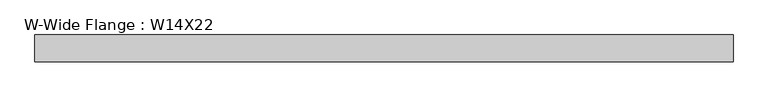
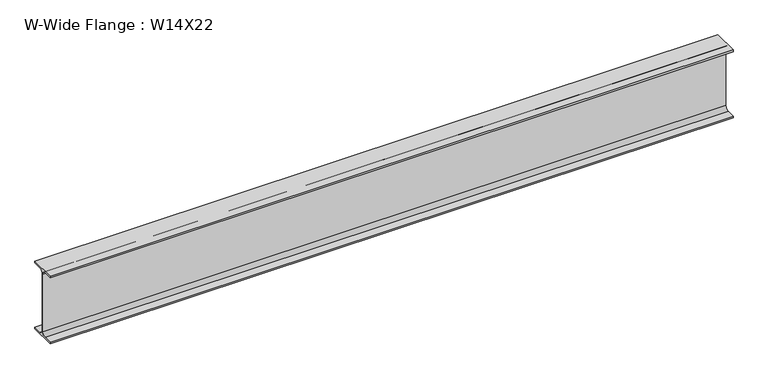
"""IFC4 building model written with IfcOpenShell, lengths in millimetres: beam geometry, W-Wide Flange : W14X22."""

from ifc_helpers import new_model, si_unit, point, frame, frame_2d, origin, place, context, project, spatial, polyline, circle_curve, trimmed, segment, composite_curve, outline, extrude, source, transform, mapped, element, save


def w_wide_flange_w14x22_d8509f81(model_context):
    return source(origin(), model_context, "Body", "SweptSolid", [
        extrude(outline(composite_curve([segment(polyline([(63.5, -165.4472656), (63.5, -173.9800781), (-63.5, -173.9800781), (-63.5, -165.4472656), (-21.3816406, -165.4472656)]), True, "CONTINUOUS"), segment(trimmed(circle_curve(frame_2d((-21.3816406, -146.9925781)), 18.4546875), [point((-21.3816406, -165.4472656))], [point((-2.9269531, -146.9925781))], True, "CARTESIAN"), True, "CONTINUOUS"), segment(polyline([(-2.9269531, -146.9925781), (-2.9269531, 146.9925781)]), True, "CONTINUOUS"), segment(trimmed(circle_curve(frame_2d((-21.3816406, 146.9925781)), 18.4546875), [point((-2.9269531, 146.9925781))], [point((-21.3816406, 165.4472656))], True, "CARTESIAN"), True, "CONTINUOUS"), segment(polyline([(-21.3816406, 165.4472656), (-63.5, 165.4472656), (-63.5, 173.9800781), (63.5, 173.9800781), (63.5, 165.4472656), (21.3816406, 165.4472656)]), True, "CONTINUOUS"), segment(trimmed(circle_curve(frame_2d((21.3816406, 146.9925781)), 18.4546875), [point((21.3816406, 165.4472656))], [point((2.9269531, 146.9925781))], True, "CARTESIAN"), True, "CONTINUOUS"), segment(polyline([(2.9269531, 146.9925781), (2.9269531, -146.9925781)]), True, "CONTINUOUS"), segment(trimmed(circle_curve(frame_2d((21.3816406, -146.9925781)), 18.4546875), [point((2.9269531, -146.9925781))], [point((21.3816406, -165.4472656))], True, "CARTESIAN"), True, "CONTINUOUS"), segment(polyline([(21.3816406, -165.4472656), (63.5, -165.4472656)]), True, "CONTINUOUS")], self_intersect=False)), frame((-1657.35, 0.0, 0.0), z_axis=(1.0, 0.0, 0.0), x_axis=(0.0, 1.0, 0.0)), (0.0, 0.0, 1.0), 3314.7),
    ])


if __name__ == "__main__":
    model = new_model("IFC4")
    model_context = context("Model", 3, world=origin())
    ifc_project = project(units=[si_unit("LENGTHUNIT", "METRE", prefix="MILLI")], contexts=[model_context])
    site = spatial("IfcSite", under=ifc_project)
    building = spatial("IfcBuilding", under=site)
    placement = place(None, origin())
    w_wide_flange_w14x22_shape = w_wide_flange_w14x22_d8509f81(model_context)
    element("IfcBeam", 1, ObjectType="W-Wide Flange : W14X22", at=placement, inside=building, context=model_context, shape_type="MappedRepresentation", body=[
        mapped(w_wide_flange_w14x22_shape, transform((0.0, 0.0, 0.0), x_axis=(1.0, 0.0, 0.0), y_axis=(0.0, 1.0, 0.0), z_axis=(0.0, 0.0, 1.0))),
    ])
    save(model, "model.ifc")
